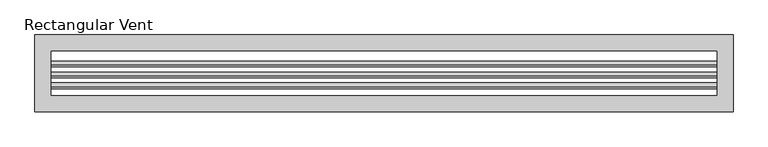
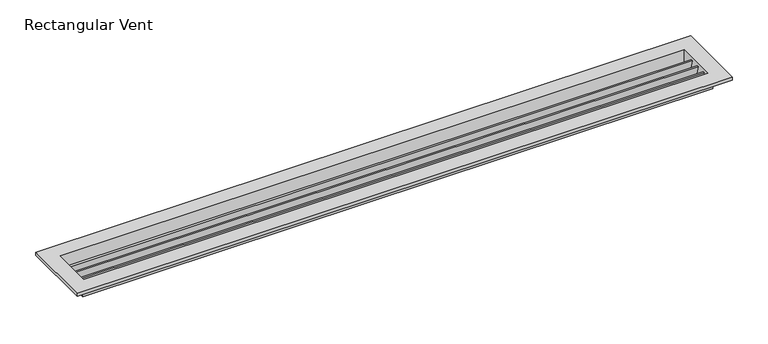
"""IFC4 building model written with IfcOpenShell, lengths in millimetres: air terminal geometry, Rectangular Vent."""

from ifc_helpers import new_model, si_unit, frame, origin, place, context, project, spatial, polyline, outline, extrude, faceted_brep, source, transform, mapped, element, save


def rectangular_vent_af25d5ae(model_context):
    return source(origin(), model_context, "Body", "SolidModel", [
        extrude(outline(polyline([(-19.9632939, 0.0), (-14.60431, -20.0), (-17.72931, -20.0), (-23.0882939, 0.0), (-19.9632939, 0.0)])), frame((-503.0, 0.0, 0.0), z_axis=(1.0, 0.0, 0.0), x_axis=(0.0, 1.0, 0.0)), (0.0, 0.0, 1.0), 1006.0),
        extrude(outline(polyline([(-6.5370008, 0.0), (-3.4120008, 0.0), (1.946983, -20.0), (-1.178017, -20.0), (-6.5370008, 0.0)])), frame((-503.0, 0.0, 0.0), z_axis=(1.0, 0.0, 0.0), x_axis=(0.0, 1.0, 0.0)), (0.0, 0.0, 1.0), 1006.0),
        extrude(outline(polyline([(10.0142923, 0.0), (13.1392923, 0.0), (18.4982761, -20.0), (15.3732761, -20.0), (10.0142923, 0.0)])), frame((-503.0, 0.0, 0.0), z_axis=(1.0, 0.0, 0.0), x_axis=(0.0, 1.0, 0.0)), (0.0, 0.0, 1.0), 1006.0),
        faceted_brep([(508.0, -38.1, -20.0), (508.0, -38.1, 0.0), (-508.0, -38.1, 0.0), (-508.0, -38.1, -20.0), (503.0, -33.1, 5.0), (503.0, -33.1, -20.0), (-503.0, -33.1, -20.0), (-503.0, -33.1, 5.0), (528.0, -58.1, 0.0), (528.0, -58.1, 5.0), (-528.0, -58.1, 5.0), (-528.0, -58.1, 0.0), (-508.0, 38.1, 0.0), (-508.0, 38.1, -20.0), (-503.0, 33.1, -20.0), (-503.0, 33.1, 5.0), (-528.0, 58.1, 5.0), (-528.0, 58.1, 0.0), (508.0, 38.1, 0.0), (508.0, 38.1, -20.0), (503.0, 33.1, -20.0), (503.0, 33.1, 5.0), (528.0, 58.1, 5.0), (528.0, 58.1, 0.0)], [[[0, 1, 2, 3]], [[4, 5, 6, 7]], [[8, 9, 10, 11]], [[3, 2, 12, 13]], [[7, 6, 14, 15]], [[11, 10, 16, 17]], [[13, 12, 18, 19]], [[15, 14, 20, 21]], [[17, 16, 22, 23]], [[11, 17, 23, 8], [1, 18, 12, 2]], [[19, 18, 1, 0]], [[3, 13, 19, 0], [5, 20, 14, 6]], [[21, 20, 5, 4]], [[9, 22, 16, 10], [7, 15, 21, 4]], [[23, 22, 9, 8]]]),
    ])


if __name__ == "__main__":
    model = new_model("IFC4")
    model_context = context("Model", 3, world=origin())
    ifc_project = project(units=[si_unit("LENGTHUNIT", "METRE", prefix="MILLI")], contexts=[model_context])
    site = spatial("IfcSite", under=ifc_project)
    building = spatial("IfcBuilding", under=site)
    placement = place(None, origin())
    rectangular_vent_shape = rectangular_vent_af25d5ae(model_context)
    element("IfcAirTerminal", 1, ObjectType="Rectangular Vent", at=placement, inside=building, context=model_context, shape_type="MappedRepresentation", body=[
        mapped(rectangular_vent_shape, transform((0.0, 0.0, 0.0), x_axis=(1.0, 0.0, 0.0), y_axis=(0.0, 1.0, 0.0), z_axis=(0.0, 0.0, 1.0))),
    ])
    save(model, "model.ifc")
